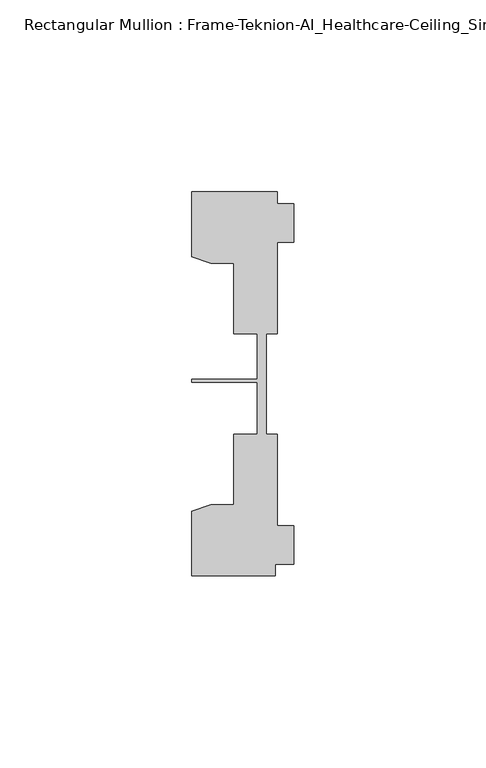
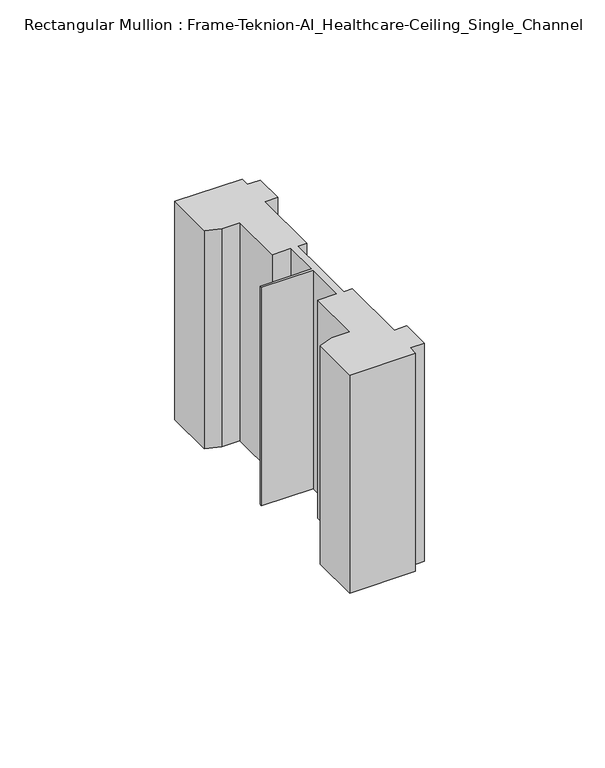
"""IFC4 building model written with IfcOpenShell, lengths in millimetres: member geometry, Rectangular Mullion : Frame-Teknion-AI_Healthcare-Ceiling_Single_Channel."""

from ifc_helpers import new_model, si_unit, frame, origin, place, context, project, spatial, polyline, outline, extrude, source, transform, mapped, element, save


def rectangular_mullion_frame_teknion_ai_healthcare_ceiling_f91eef31(model_context):
    return source(origin(), model_context, "Body", "SweptSolid", [
        extrude(outline(polyline([(-26.4921999, -34.0201677), (-21.6625199, -32.2880982), (-15.6737764, -32.2880982), (-15.6737764, -13.9110722), (-9.4507761, -13.9110722), (-9.4507761, -0.4036528), (-26.4921999, -0.4036528), (-26.4921999, 0.4036528), (-9.4507761, 0.4036528), (-9.4507761, 12.2509301), (-15.6737764, 12.2509301), (-15.6737764, 30.6279561), (-21.6625199, 30.6279561), (-26.4921999, 32.3600207), (-26.4921999, 49.1699293), (-4.2672007, 49.1699293), (-4.2672007, 46.1219322), (0.0, 46.1219322), (0.0, 36.1219249), (-4.2672007, 36.1219249), (-4.2672007, 12.2509301), (-7.1647766, 12.2509301), (-7.1647766, -0.0814804), (-7.1647766, -13.9110722), (-4.2672007, -13.9110722), (-4.2672007, -37.7820716), (0.0, -37.7820716), (0.0, -47.782071), (-4.7752002, -47.782071), (-4.7752002, -50.8315128), (-26.4921999, -50.8315128), (-26.4921999, -34.0201677)])), frame((0.0, 0.0, -76.2), z_axis=(0.0, 0.0, 1.0), x_axis=(1.0, 0.0, 0.0)), (0.0, 0.0, 1.0), 76.2),
    ])


if __name__ == "__main__":
    model = new_model("IFC4")
    model_context = context("Model", 3, world=origin())
    ifc_project = project(units=[si_unit("LENGTHUNIT", "METRE", prefix="MILLI")], contexts=[model_context])
    site = spatial("IfcSite", under=ifc_project)
    building = spatial("IfcBuilding", under=site)
    placement = place(None, origin())
    rectangular_mullion_frame_teknion_ai_healthcare_ceiling_shape = rectangular_mullion_frame_teknion_ai_healthcare_ceiling_f91eef31(model_context)
    element("IfcMember", 1, ObjectType="Rectangular Mullion : Frame-Teknion-AI_Healthcare-Ceiling_Single_Channel", at=placement, inside=building, context=model_context, shape_type="MappedRepresentation", body=[
        mapped(rectangular_mullion_frame_teknion_ai_healthcare_ceiling_shape, transform((0.0, 0.0, 0.0), x_axis=(1.0, 0.0, 0.0), y_axis=(0.0, 1.0, 0.0), z_axis=(0.0, 0.0, 1.0))),
    ])
    save(model, "model.ifc")
